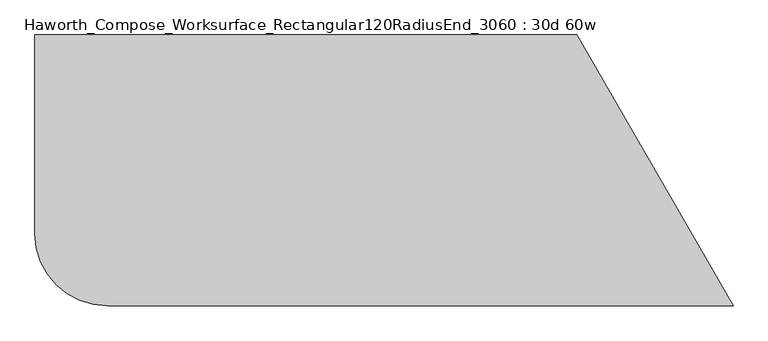
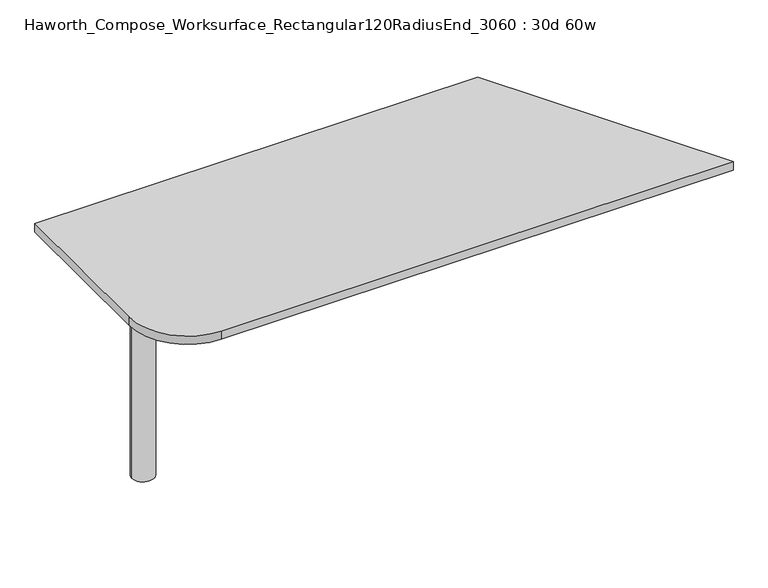
"""IFC4 building model written with IfcOpenShell, lengths in millimetres: furniture geometry, Haworth_Compose_Worksurface_Rectangular120RadiusEnd_3060 : 30d 60w."""

from ifc_helpers import new_model, si_unit, point, frame, frame_2d, origin, place, context, project, spatial, polyline, circle_curve, trimmed, segment, composite_curve, outline, extrude, source, transform, mapped, element, save
from ifc_brep_helpers import plane_surface, cylinder_surface, advanced_brep


def haworth_compose_worksurface_rectangular120radiusend_3060_30d_00a4684c(model_context):
    return source(origin(), model_context, "Body", "SolidModel", [
        advanced_brep(
        [(-571.5, 0.0, 706.4375), (-647.7, 0.0, 706.4375), (-609.6, 0.0, 706.4375), (-571.5, 0.0, 0.0), (-647.7, 0.0, 0.0), (-609.6, 0.0, 0.0)],
        [
            (0, 1, circle_curve(frame((-609.6, 0.0, 706.4375), z_axis=(0.0, 0.0, 1.0), x_axis=(-1.0, 0.0, 0.0)), 38.1)),
            (1, 2),
            (2, 0),
            (1, 0, circle_curve(frame((-609.6, 0.0, 706.4375), z_axis=(0.0, 0.0, 1.0), x_axis=(-1.0, 0.0, 0.0)), 38.1)),
            (3, 4, circle_curve(frame((-609.6, 0.0, 0.0), z_axis=(0.0, 0.0, 1.0), x_axis=(-1.0, 0.0, 0.0)), 38.1)),
            (4, 1),
            (0, 3),
            (4, 3, circle_curve(frame((-609.6, 0.0, 0.0), z_axis=(0.0, 0.0, 1.0), x_axis=(-1.0, 0.0, 0.0)), 38.1)),
            (5, 4),
            (3, 5),
        ],
        [
            plane_surface(frame((-609.6, 0.0, 706.4375), z_axis=(0.0, 0.0, 1.0), x_axis=(-1.0, 0.0, 0.0))),
            cylinder_surface(frame((-609.6, 0.0, 889.623257), z_axis=(0.0, 0.0, -1.0), x_axis=(-1.0, 0.0, 0.0)), 38.1),
            plane_surface(frame((-609.6, 0.0, 0.0), z_axis=(0.0, 0.0, -1.0), x_axis=(-1.0, 0.0, 0.0))),
        ],
        [
            (0, [[1, 2, 3]]),
            (0, [[4, -3, -2]]),
            (1, [[5, 6, -1, 7]]),
            (1, [[8, -7, -4, -6]]),
            (2, [[9, -5, 10]]),
            (2, [[-10, -8, -9]]),
        ],
    ),
        extrude(outline(composite_curve([segment(polyline([(762.0, 381.0), (1201.9409051, -381.0), (-558.8, -381.0)]), True, "CONTINUOUS"), segment(trimmed(circle_curve(frame_2d((-558.8, -177.8)), 203.2), [point((-558.8, -381.0))], [point((-762.0, -177.8))], False, "CARTESIAN"), True, "CONTINUOUS"), segment(polyline([(-762.0, -177.8), (-762.0, 381.0), (762.0, 381.0)]), True, "CONTINUOUS")], self_intersect=False)), frame((0.0, 0.0, 706.4375), z_axis=(0.0, 0.0, 1.0), x_axis=(1.0, 0.0, 0.0)), (0.0, 0.0, 1.0), 30.1625),
    ])


if __name__ == "__main__":
    model = new_model("IFC4")
    model_context = context("Model", 3, world=origin())
    ifc_project = project(units=[si_unit("LENGTHUNIT", "METRE", prefix="MILLI")], contexts=[model_context])
    site = spatial("IfcSite", under=ifc_project)
    building = spatial("IfcBuilding", under=site)
    placement = place(None, origin())
    haworth_compose_worksurface_rectangular120radiusend_3060_30d_shape = haworth_compose_worksurface_rectangular120radiusend_3060_30d_00a4684c(model_context)
    element("IfcFurniture", 1, ObjectType="Haworth_Compose_Worksurface_Rectangular120RadiusEnd_3060 : 30d 60w", at=placement, inside=building, context=model_context, shape_type="MappedRepresentation", body=[
        mapped(haworth_compose_worksurface_rectangular120radiusend_3060_30d_shape, transform((0.0, 0.0, 0.0), x_axis=(1.0, 0.0, 0.0), y_axis=(0.0, 1.0, 0.0), z_axis=(0.0, 0.0, 1.0))),
    ])
    save(model, "model.ifc")
